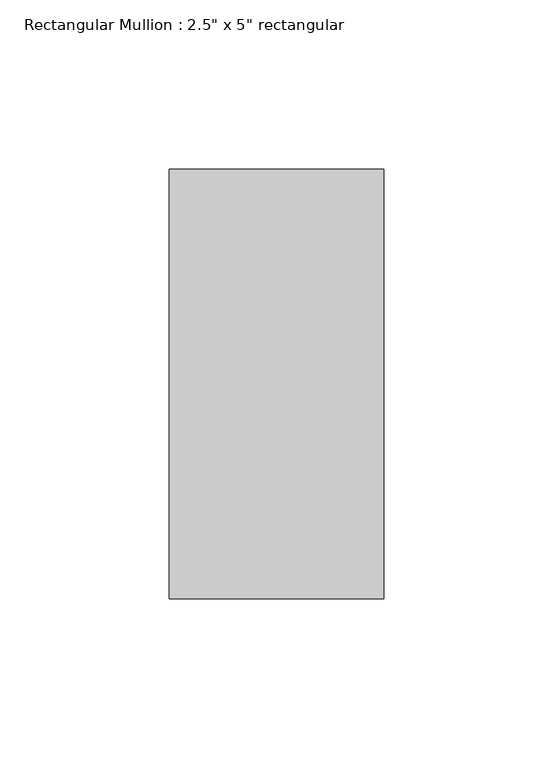
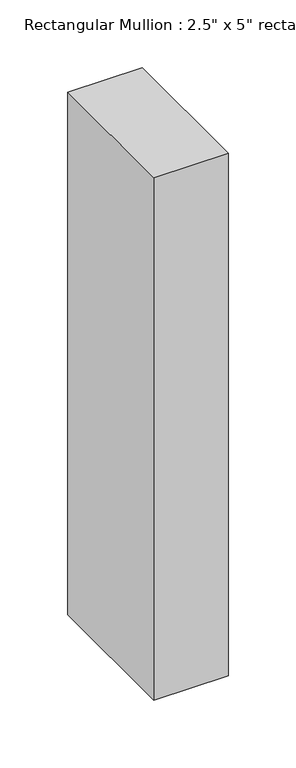
"""IFC4 building model written with IfcOpenShell, lengths in millimetres: member geometry."""

from ifc_helpers import new_model, si_unit, frame, origin, place, context, project, spatial, polyline, outline, extrude, source, transform, mapped, element, save


def member_e8a90ac7(model_context):
    return source(origin(), model_context, "Body", "SweptSolid", [
        extrude(outline(polyline([(31.75, 63.5), (31.75, -63.5), (-31.75, -63.5), (-31.75, 63.5), (31.75, 63.5)])), frame((0.0, 0.0, -470.837868), z_axis=(0.0, 0.0, 1.0), x_axis=(1.0, 0.0, 0.0)), (0.0, 0.0, 1.0), 470.837868),
    ])


if __name__ == "__main__":
    model = new_model("IFC4")
    model_context = context("Model", 3, world=origin())
    ifc_project = project(units=[si_unit("LENGTHUNIT", "METRE", prefix="MILLI")], contexts=[model_context])
    site = spatial("IfcSite", under=ifc_project)
    building = spatial("IfcBuilding", under=site)
    placement = place(None, origin())
    member_shape = member_e8a90ac7(model_context)
    element("IfcMember", 1, ObjectType="Rectangular Mullion : 2.5\" x 5\" rectangular", at=placement, inside=building, context=model_context, shape_type="MappedRepresentation", body=[
        mapped(member_shape, transform((0.0, 0.0, 0.0), x_axis=(1.0, 0.0, 0.0), y_axis=(0.0, 1.0, 0.0), z_axis=(0.0, 0.0, 1.0))),
    ])
    save(model, "model.ifc")
